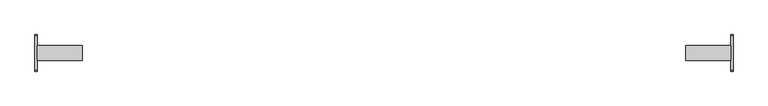
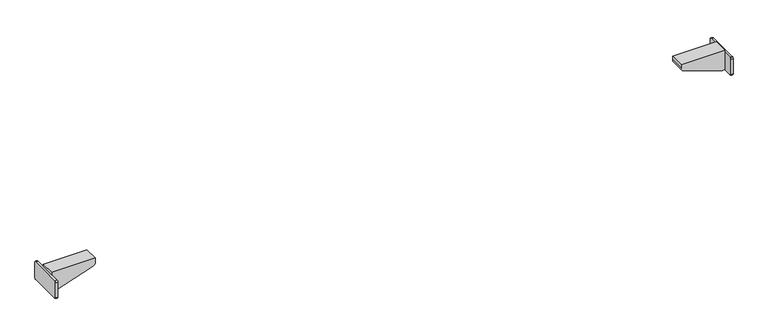
"""IFC4 building model written with IfcOpenShell, lengths in millimetres: furniture geometry."""

from ifc_helpers import new_model, si_unit, point, frame, frame_2d, origin, place, context, project, spatial, polyline, circle_curve, trimmed, segment, composite_curve, outline, extrude, source, transform, mapped, element, save
from ifc_brep_helpers import plane_surface, cylinder_surface, advanced_brep


def furniture_148bde95(model_context):
    return source(origin(), model_context, "Body", "SolidModel", [
        extrude(outline(composite_curve([segment(trimmed(circle_curve(frame_2d((39.4809876, 521.7409876)), 3.0190124), [point((39.4809876, 524.76))], [point((42.5, 521.7409876))], False, "CARTESIAN"), True, "CONTINUOUS"), segment(polyline([(42.5, 521.7409876), (42.5, 482.9866625)]), True, "CONTINUOUS"), segment(trimmed(circle_curve(frame_2d((39.5133375, 482.9866625)), 2.9866625), [point((42.5, 482.9866625))], [point((39.5133375, 480.0))], False, "CARTESIAN"), True, "CONTINUOUS"), segment(polyline([(39.5133375, 480.0), (-39.4675388, 480.0)]), True, "CONTINUOUS"), segment(trimmed(circle_curve(frame_2d((-39.4675388, 483.0324612)), 3.0324612), [point((-39.4675388, 480.0))], [point((-42.5, 483.0324612))], False, "CARTESIAN"), True, "CONTINUOUS"), segment(polyline([(-42.5, 483.0324612), (-42.5, 521.76)]), True, "CONTINUOUS"), segment(trimmed(circle_curve(frame_2d((-39.5, 521.76)), 3.0), [point((-42.5, 521.76))], [point((-39.5, 524.76))], False, "CARTESIAN"), True, "CONTINUOUS"), segment(polyline([(-39.5, 524.76), (39.4809876, 524.76)]), True, "CONTINUOUS")], self_intersect=False)), frame((804.7599968, 0.0, 0.0), z_axis=(1.0, 0.0, 0.0), x_axis=(0.0, 1.0, 0.0)), (0.0, 0.0, 1.0), 5.24),
        extrude(outline(composite_curve([segment(polyline([(511.6677828, 706.7222698), (480.0, 797.9999968), (480.0, 804.7599968), (530.0, 804.7599968), (530.0, 699.9999968), (521.115349, 699.9999968)]), True, "CONTINUOUS"), segment(trimmed(circle_curve(frame_2d((521.115349, 709.9999968)), 10.0), [point((521.115349, 699.9999968))], [point((511.6677828, 706.7222698))], False, "CARTESIAN"), True, "CONTINUOUS")], self_intersect=False)), frame((0.0, -17.5, 0.0), z_axis=(0.0, 1.0, 0.0), x_axis=(0.0, 0.0, 1.0)), (0.0, 0.0, 1.0), 35.0),
        advanced_brep(
        [(-706.7222698, -17.5, 511.6677828), (-699.9999968, -17.5, 521.115349), (-699.9999968, -17.5, 530.0), (-804.7599968, -17.5, 530.0), (-804.7599968, -17.5, 524.76), (-804.7599968, -17.5, 480.0), (-797.9999968, -17.5, 480.0), (-706.7222698, 17.5, 511.6677828), (-797.9999968, 17.5, 480.0), (-804.7599968, 17.5, 480.0), (-804.7599968, 17.5, 524.76), (-804.7599968, 17.5, 530.0), (-699.9999968, 17.5, 530.0), (-699.9999968, 17.5, 521.115349), (-804.7599968, -39.4675388, 480.0), (-809.9999968, -39.4675388, 480.0), (-809.9999968, 39.5133375, 480.0), (-804.7599968, 39.5133375, 480.0), (-804.7599968, -39.5, 524.76), (-804.7599968, -42.5, 521.76), (-804.7599968, -42.5, 483.0324612), (-804.7599968, 42.5, 482.9866625), (-804.7599968, 42.5, 521.7409876), (-804.7599968, 39.4809876, 524.76), (-809.9999968, 39.4809876, 524.76), (-809.9999968, 42.5, 521.7409876), (-809.9999968, 42.5, 482.9866625), (-809.9999968, -42.5, 483.0324612), (-809.9999968, -42.5, 521.76), (-809.9999968, -39.5, 524.76)],
        [
            (0, 1, circle_curve(frame((-709.9999968, -17.5, 521.115349), z_axis=(0.0, -1.0, 0.0), x_axis=(1.0, 0.0, 0.0)), 10.0)),
            (1, 2),
            (2, 3),
            (3, 4),
            (4, 5),
            (5, 6),
            (6, 0),
            (7, 8),
            (8, 9),
            (9, 10),
            (10, 11),
            (11, 12),
            (12, 13),
            (13, 7, circle_curve(frame((-709.9999968, 17.5, 521.115349), z_axis=(0.0, 1.0, 0.0), x_axis=(1.0, 0.0, 0.0)), 10.0)),
            (0, 7),
            (13, 1),
            (12, 2),
            (11, 3),
            (10, 4),
            (5, 14),
            (14, 15),
            (15, 16),
            (16, 17),
            (17, 9),
            (8, 6),
            (18, 19, circle_curve(frame((-804.7599968, -39.5, 521.76), z_axis=(1.0, 0.0, 0.0), x_axis=(0.0, 1.0, 0.0)), 3.0)),
            (19, 20),
            (20, 14, circle_curve(frame((-804.7599968, -39.4675388, 483.0324612), z_axis=(1.0, 0.0, 0.0), x_axis=(0.0, 1.0, 0.0)), 3.0324612)),
            (4, 18),
            (17, 21, circle_curve(frame((-804.7599968, 39.5133375, 482.9866625), z_axis=(1.0, 0.0, 0.0), x_axis=(0.0, 1.0, 0.0)), 2.9866625)),
            (21, 22),
            (22, 23, circle_curve(frame((-804.7599968, 39.4809876, 521.7409876), z_axis=(1.0, 0.0, 0.0), x_axis=(0.0, 1.0, 0.0)), 3.0190124)),
            (23, 10),
            (24, 25, circle_curve(frame((-809.9999968, 39.4809876, 521.7409876), z_axis=(-1.0, 0.0, 0.0), x_axis=(0.0, 1.0, 0.0)), 3.0190124)),
            (25, 26),
            (26, 16, circle_curve(frame((-809.9999968, 39.5133375, 482.9866625), z_axis=(-1.0, 0.0, 0.0), x_axis=(0.0, 1.0, 0.0)), 2.9866625)),
            (15, 27, circle_curve(frame((-809.9999968, -39.4675388, 483.0324612), z_axis=(-1.0, 0.0, 0.0), x_axis=(0.0, 1.0, 0.0)), 3.0324612)),
            (27, 28),
            (28, 29, circle_curve(frame((-809.9999968, -39.5, 521.76), z_axis=(-1.0, 0.0, 0.0), x_axis=(0.0, 1.0, 0.0)), 3.0)),
            (29, 24),
            (29, 18),
            (23, 24),
            (28, 19),
            (27, 20),
            (26, 21),
            (25, 22),
        ],
        [
            plane_surface(frame((-699.9999968, -17.5, 521.115349), z_axis=(0.0, -1.0, 0.0), x_axis=(0.0, 0.0, 1.0))),
            plane_surface(frame((-699.9999968, 17.5, 521.115349), z_axis=(0.0, 1.0, 0.0), x_axis=(0.0, 0.0, -1.0))),
            cylinder_surface(frame((-709.9999968, 17.5, 521.115349), z_axis=(0.0, -1.0, 0.0), x_axis=(1.0, 0.0, 0.0)), 10.0),
            plane_surface(frame((-699.9999968, -17.5, 521.115349), z_axis=(1.0, 0.0, 0.0), x_axis=(0.0, 1.0, 0.0))),
            plane_surface(frame((-699.9999968, -17.5, 530.0), z_axis=(0.0, 0.0, 1.0), x_axis=(0.0, 1.0, 0.0))),
            plane_surface(frame((-804.7599968, -17.5, 530.0), z_axis=(-1.0, 0.0, 0.0), x_axis=(0.0, 1.0, 0.0))),
            plane_surface(frame((-804.7599968, -17.5, 480.0), z_axis=(0.0, 0.0, -1.0), x_axis=(0.0, 1.0, 0.0))),
            plane_surface(frame((-797.9999968, -17.5, 480.0), z_axis=(0.32777270209389736, 0.0, -0.9447566119176226), x_axis=(0.0, 1.0, 0.0))),
            plane_surface(frame((-804.7599968, -39.5, 524.76), z_axis=(1.0, 0.0, 0.0), x_axis=(0.0, -1.0, 0.0))),
            plane_surface(frame((-809.9999968, -39.5, 524.76), z_axis=(-1.0, 0.0, 0.0), x_axis=(0.0, 1.0, 0.0))),
            plane_surface(frame((-804.7599968, 39.4809876, 524.76), z_axis=(0.0, 0.0, 1.0), x_axis=(-1.0, 0.0, 0.0))),
            cylinder_surface(frame((-809.9999968, -39.5, 521.76), z_axis=(1.0, 0.0, 0.0), x_axis=(0.0, 1.0, 0.0)), 3.0),
            plane_surface(frame((-804.7599968, -42.5, 521.76), z_axis=(0.0, -1.0, 0.0), x_axis=(-1.0, 0.0, 0.0))),
            cylinder_surface(frame((-809.9999968, -39.4675388, 483.0324612), z_axis=(1.0, 0.0, 0.0), x_axis=(0.0, 1.0, 0.0)), 3.0324612),
            cylinder_surface(frame((-809.9999968, 39.5133375, 482.9866625), z_axis=(1.0, 0.0, 0.0), x_axis=(0.0, 1.0, 0.0)), 2.9866625),
            plane_surface(frame((-804.7599968, 42.5, 482.9866625), z_axis=(0.0, 1.0, 0.0), x_axis=(-1.0, 0.0, 0.0))),
            cylinder_surface(frame((-809.9999968, 39.4809876, 521.7409876), z_axis=(1.0, 0.0, 0.0), x_axis=(0.0, 1.0, 0.0)), 3.0190124),
        ],
        [
            (0, [[1, 2, 3, 4, 5, 6, 7]]),
            (1, [[8, 9, 10, 11, 12, 13, 14]]),
            (2, [[-1, 15, -14, 16]]),
            (3, [[-2, -16, -13, 17]]),
            (4, [[-3, -17, -12, 18]]),
            (5, [[-18, -11, 19, -4]]),
            (6, [[-6, 20, 21, 22, 23, 24, -9, 25]]),
            (7, [[-7, -25, -8, -15]]),
            (8, [[26, 27, 28, -20, -5, 29]]),
            (8, [[30, 31, 32, 33, -10, -24]]),
            (9, [[34, 35, 36, -22, 37, 38, 39, 40]]),
            (10, [[-40, 41, -29, -19, -33, 42]]),
            (11, [[-26, -41, -39, 43]]),
            (12, [[-27, -43, -38, 44]]),
            (13, [[-28, -44, -37, -21]]),
            (14, [[-30, -23, -36, 45]]),
            (15, [[-31, -45, -35, 46]]),
            (16, [[-32, -46, -34, -42]]),
        ],
    ),
    ])


if __name__ == "__main__":
    model = new_model("IFC4")
    model_context = context("Model", 3, world=origin())
    ifc_project = project(units=[si_unit("LENGTHUNIT", "METRE", prefix="MILLI")], contexts=[model_context])
    site = spatial("IfcSite", under=ifc_project)
    building = spatial("IfcBuilding", under=site)
    placement = place(None, origin())
    furniture_shape = furniture_148bde95(model_context)
    element("IfcFurniture", 1, at=placement, inside=building, context=model_context, shape_type="MappedRepresentation", body=[
        mapped(furniture_shape, transform((0.0, 0.0, 0.0), x_axis=(1.0, 0.0, 0.0), y_axis=(0.0, 1.0, 0.0), z_axis=(0.0, 0.0, 1.0))),
    ])
    save(model, "model.ifc")
